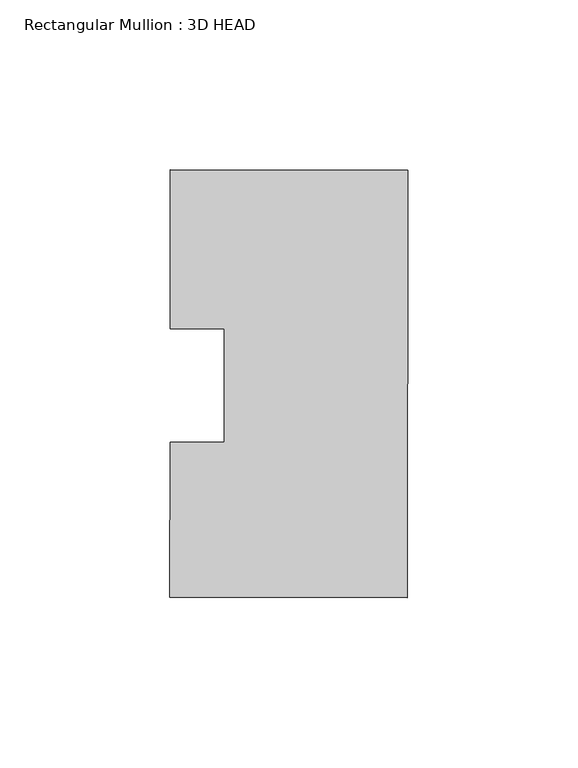
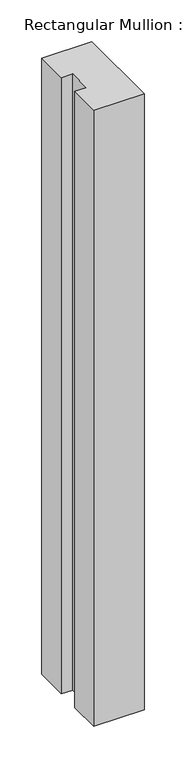
"""IFC4 building model written with IfcOpenShell, lengths in millimetres: member geometry, Rectangular Mullion : 3D HEAD."""

from ifc_helpers import new_model, si_unit, frame, origin, place, context, project, spatial, polyline, outline, extrude, source, transform, mapped, element, save


def rectangular_mullion_3d_head_70c87355(model_context):
    return source(origin(), model_context, "Body", "SweptSolid", [
        extrude(outline(polyline([(-69.9433395, -16.6773033), (-54.0683503, -16.6957868), (-54.0294719, 16.6957868), (-69.9044612, 16.7142704), (-69.8499527, 63.5301323), (0.0, 63.4488048), (-0.1464486, -62.3319099), (-69.9964013, -62.2505824), (-69.9433395, -16.6773033)])), frame((0.0, 0.0, -905.3068097), z_axis=(0.0, 0.0, 1.0), x_axis=(1.0, 0.0, 0.0)), (0.0, 0.0, 1.0), 905.3068097),
    ])


if __name__ == "__main__":
    model = new_model("IFC4")
    model_context = context("Model", 3, world=origin())
    ifc_project = project(units=[si_unit("LENGTHUNIT", "METRE", prefix="MILLI")], contexts=[model_context])
    site = spatial("IfcSite", under=ifc_project)
    building = spatial("IfcBuilding", under=site)
    placement = place(None, origin())
    rectangular_mullion_3d_head_shape = rectangular_mullion_3d_head_70c87355(model_context)
    element("IfcMember", 1, ObjectType="Rectangular Mullion : 3D HEAD", at=placement, inside=building, context=model_context, shape_type="MappedRepresentation", body=[
        mapped(rectangular_mullion_3d_head_shape, transform((0.0, 0.0, 0.0), x_axis=(1.0, 0.0, 0.0), y_axis=(0.0, 1.0, 0.0), z_axis=(0.0, 0.0, 1.0))),
    ])
    save(model, "model.ifc")
